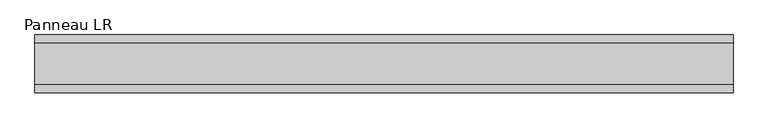
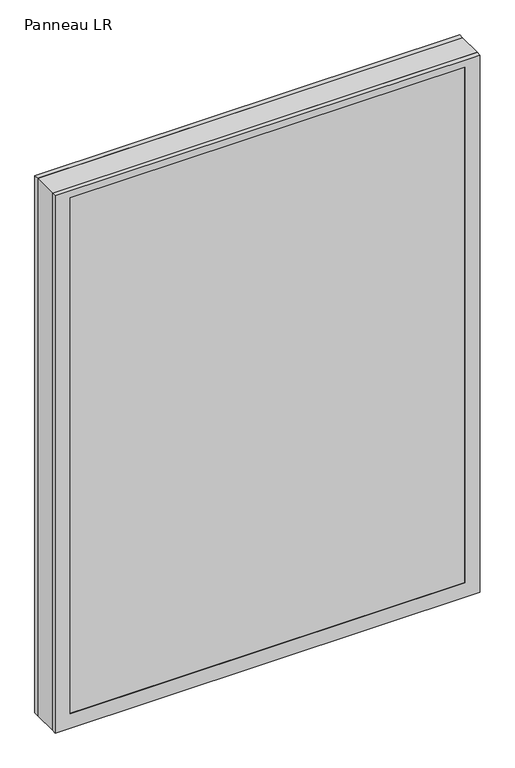
"""IFC4 building model written with IfcOpenShell, lengths in millimetres: plate geometry, Panneau LR."""

from ifc_helpers import new_model, si_unit, frame, origin, place, context, project, spatial, polyline, outline, extrude, faceted_brep, source, transform, mapped, element, save


def panneau_lr_6a13e400(model_context):
    return source(origin(), model_context, "Body", "SolidModel", [
        faceted_brep([(-544.1874999, 33.0, 1453.5), (-544.1874999, 45.0, 1453.5), (-544.1874999, 45.0, 0.0), (-544.1874999, 33.0, 0.0), (544.1874999, 33.0, 0.0), (544.1874999, 45.0, 0.0), (544.1874999, 45.0, 1453.5), (544.1874999, 33.0, 1453.5), (-505.1874999, 45.0, 1434.5), (-505.1874999, 45.0, 39.0), (505.1874999, 45.0, 39.0), (505.1874999, 45.0, 1434.5), (505.1874999, 43.8, 1434.5), (-505.1874999, 43.8, 1434.5), (-520.1874999, 43.8, 1449.5), (-520.1874999, 43.8, 24.0), (520.1874999, 43.8, 24.0), (520.1874999, 43.8, 1449.5), (505.1874999, 43.8, 39.0), (-505.1874999, 43.8, 39.0), (520.1874999, 33.0, 1449.5), (-520.1874999, 33.0, 1449.5), (520.1874999, 33.0, 24.0), (-520.1874999, 33.0, 24.0)], [[[0, 1, 2, 3]], [[4, 5, 6, 7]], [[6, 1, 0, 7]], [[2, 1, 6, 5], [8, 9, 10, 11]], [[8, 11, 12, 13]], [[14, 15, 16, 17], [13, 12, 18, 19]], [[14, 17, 20, 21]], [[0, 3, 4, 7], [20, 22, 23, 21]], [[23, 22, 16, 15]], [[19, 18, 10, 9]], [[4, 3, 2, 5]], [[21, 23, 15, 14]], [[13, 19, 9, 8]], [[18, 12, 11, 10]], [[22, 20, 17, 16]]]),
        faceted_brep([(-544.1874999, -33.0, 0.0), (-544.1874999, -45.0, 0.0), (-544.1874999, -45.0, 1453.5), (-544.1874999, -33.0, 1453.5), (544.1874999, -45.0, 0.0), (544.1874999, -33.0, 0.0), (544.1874999, -33.0, 1453.5), (544.1874999, -45.0, 1453.5), (505.1874999, -45.0, 1434.5), (505.1874999, -45.0, 39.0), (-505.1874999, -45.0, 39.0), (-505.1874999, -45.0, 1434.5), (-520.1874999, -33.0, 1449.5), (-520.1874999, -33.0, 24.0), (520.1874999, -33.0, 24.0), (520.1874999, -33.0, 1449.5), (520.1874999, -43.8, 1449.5), (-520.1874999, -43.8, 1449.5), (520.1874999, -43.8, 24.0), (-520.1874999, -43.8, 24.0), (-505.1874999, -43.8, 1434.5), (-505.1874999, -43.8, 39.0), (505.1874999, -43.8, 39.0), (505.1874999, -43.8, 1434.5)], [[[0, 1, 2, 3]], [[4, 5, 6, 7]], [[2, 1, 4, 7], [8, 9, 10, 11]], [[6, 3, 2, 7]], [[0, 3, 6, 5], [12, 13, 14, 15]], [[12, 15, 16, 17]], [[17, 16, 18, 19], [20, 21, 22, 23]], [[8, 11, 20, 23]], [[10, 9, 22, 21]], [[19, 18, 14, 13]], [[4, 1, 0, 5]], [[11, 10, 21, 20]], [[17, 19, 13, 12]], [[18, 16, 15, 14]], [[9, 8, 23, 22]]]),
        extrude(outline(polyline([(1453.5, 544.1874999), (1453.5, -544.1874999), (0.0, -544.1874999), (0.0, 544.1874999), (1453.5, 544.1874999)]), holes=[polyline([(46.0, -504.1874999), (1427.5, -504.1874999), (1427.5, 504.1874999), (46.0, 504.1874999), (46.0, -504.1874999)])]), frame((0.0, -33.0, 0.0), z_axis=(0.0, 1.0, 0.0), x_axis=(0.0, 0.0, 1.0)), (0.0, 0.0, 1.0), 66.0),
        extrude(outline(polyline([(520.1874999, 37.8), (-520.1874999, 37.8), (-520.1874999, 43.8), (520.1874999, 43.8), (520.1874999, 37.8)])), frame((0.0, 0.0, 24.0), z_axis=(0.0, 0.0, 1.0), x_axis=(1.0, 0.0, 0.0)), (0.0, 0.0, 1.0), 1425.5),
        extrude(outline(polyline([(-520.1874999, -43.8), (-520.1874999, -37.8), (520.1874999, -37.8), (520.1874999, -43.8), (-520.1874999, -43.8)])), frame((0.0, 0.0, 24.0), z_axis=(0.0, 0.0, 1.0), x_axis=(1.0, 0.0, 0.0)), (0.0, 0.0, 1.0), 1425.5),
    ])


if __name__ == "__main__":
    model = new_model("IFC4")
    model_context = context("Model", 3, world=origin())
    ifc_project = project(units=[si_unit("LENGTHUNIT", "METRE", prefix="MILLI")], contexts=[model_context])
    site = spatial("IfcSite", under=ifc_project)
    building = spatial("IfcBuilding", under=site)
    placement = place(None, origin())
    panneau_lr_shape = panneau_lr_6a13e400(model_context)
    element("IfcPlate", 1, ObjectType="Panneau LR", at=placement, inside=building, context=model_context, shape_type="MappedRepresentation", body=[
        mapped(panneau_lr_shape, transform((0.0, 0.0, 0.0), x_axis=(1.0, 0.0, 0.0), y_axis=(0.0, 1.0, 0.0), z_axis=(0.0, 0.0, 1.0))),
    ])
    save(model, "model.ifc")
